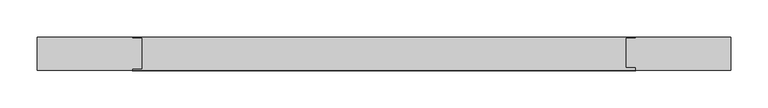
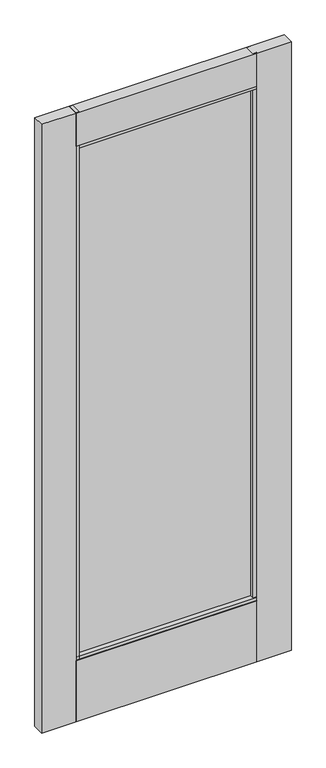
"""IFC4 building model written with IfcOpenShell, lengths in millimetres: plate geometry."""

from ifc_helpers import new_model, si_unit, frame, origin, place, context, project, spatial, polyline, outline, extrude, source, transform, mapped, element, save


def plate_cebfc193(model_context):
    return source(origin(), model_context, "Body", "SweptSolid", [
        extrude(outline(polyline([(-466.1436477, 50.8), (-338.3366071, 50.8), (-338.3366071, 49.2401195), (-325.6366071, 49.2401195), (-325.6366071, 8.2195416), (-338.3366071, 8.2195416), (-338.3366071, 6.35), (-466.1436477, 6.35), (-466.1436477, 50.8)])), frame((0.0, 0.0, 17.4625), z_axis=(0.0, 0.0, 1.0), x_axis=(1.0, 0.0, 0.0)), (0.0, 0.0, 1.0), 2401.4594027),
        extrude(outline(polyline([(-334.0281434, 25.6133145), (-334.0281434, 31.9633145), (330.4277651, 31.9633145), (330.4277651, 25.6133145), (-334.0281434, 25.6133145)])), frame((0.0, 0.0, 263.906), z_axis=(0.0, 0.0, 1.0), x_axis=(1.0, 0.0, 0.0)), (0.0, 0.0, 1.0), 2020.0933887),
        extrude(outline(polyline([(466.1436477, 50.8), (466.1436477, 6.35), (338.3467227, 6.35), (338.3467227, 10.4552032), (325.6467227, 10.4552032), (325.6467227, 49.2401195), (338.3467227, 49.2401195), (338.3467227, 50.8), (466.1436477, 50.8)])), frame((0.0, 0.0, 17.4625), z_axis=(0.0, 0.0, 1.0), x_axis=(1.0, 0.0, 0.0)), (0.0, 0.0, 1.0), 2401.4594027),
        extrude(outline(polyline([(6.35, 2418.9219027), (50.8, 2418.9219027), (50.8, 2288.7646827), (49.2401195, 2288.7646827), (49.2401195, 2276.0618887), (8.2195416, 2276.0618887), (8.2195416, 2288.7646827), (6.35, 2288.7646827), (6.35, 2418.9219027)])), frame((-338.3366071, 0.0, 0.0), z_axis=(1.0, 0.0, 0.0), x_axis=(0.0, 1.0, 0.0)), (0.0, 0.0, 1.0), 676.6833297),
        extrude(outline(polyline([(8.2195416, 271.4298836), (49.2401195, 271.4298836), (49.2401195, 258.7303916), (50.8, 258.7303916), (50.8, 17.4625), (6.35, 17.4625), (6.35, 258.7303916), (8.2195416, 258.7303916), (8.2195416, 271.4298836)])), frame((-338.3366071, 0.0, 0.0), z_axis=(1.0, 0.0, 0.0), x_axis=(0.0, 1.0, 0.0)), (0.0, 0.0, 1.0), 676.6833297),
    ])


if __name__ == "__main__":
    model = new_model("IFC4")
    model_context = context("Model", 3, world=origin())
    ifc_project = project(units=[si_unit("LENGTHUNIT", "METRE", prefix="MILLI")], contexts=[model_context])
    site = spatial("IfcSite", under=ifc_project)
    building = spatial("IfcBuilding", under=site)
    placement = place(None, origin())
    plate_shape = plate_cebfc193(model_context)
    element("IfcPlate", 1, at=placement, inside=building, context=model_context, shape_type="MappedRepresentation", body=[
        mapped(plate_shape, transform((0.0, 0.0, 0.0), x_axis=(1.0, 0.0, 0.0), y_axis=(0.0, 1.0, 0.0), z_axis=(0.0, 0.0, 1.0))),
    ])
    save(model, "model.ifc")
